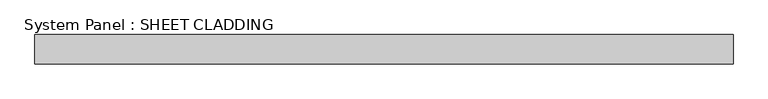
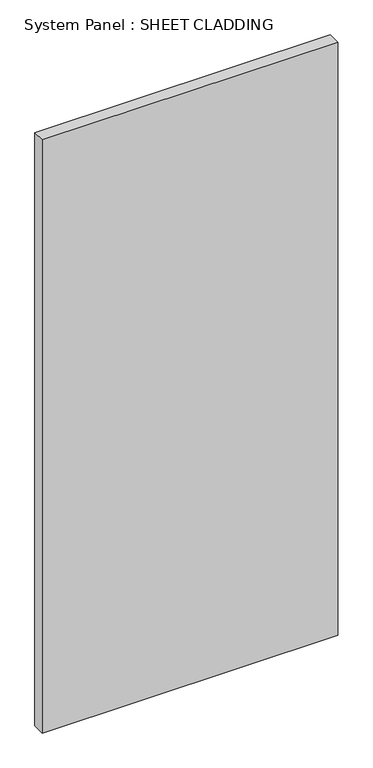
"""IFC4 building model written with IfcOpenShell, lengths in millimetres: plate geometry, System Panel : SHEET CLADDING."""

from ifc_helpers import new_model, si_unit, origin, origin_with_axes, place, context, project, spatial, polyline, outline, extrude, source, transform, mapped, element, save


def system_panel_sheet_cladding_f6e0ee69(model_context):
    return source(origin(), model_context, "Body", "SweptSolid", [
        extrude(outline(polyline([(714.2857143, -49.5), (-714.2857143, -49.5), (-714.2857143, 10.5), (714.2857143, 10.5), (714.2857143, -49.5)])), origin_with_axes(), (0.0, 0.0, 1.0), 3031.35),
    ])


if __name__ == "__main__":
    model = new_model("IFC4")
    model_context = context("Model", 3, world=origin())
    ifc_project = project(units=[si_unit("LENGTHUNIT", "METRE", prefix="MILLI")], contexts=[model_context])
    site = spatial("IfcSite", under=ifc_project)
    building = spatial("IfcBuilding", under=site)
    placement = place(None, origin())
    system_panel_sheet_cladding_shape = system_panel_sheet_cladding_f6e0ee69(model_context)
    element("IfcPlate", 1, ObjectType="System Panel : SHEET CLADDING", at=placement, inside=building, context=model_context, shape_type="MappedRepresentation", body=[
        mapped(system_panel_sheet_cladding_shape, transform((0.0, 0.0, 0.0), x_axis=(1.0, 0.0, 0.0), y_axis=(0.0, 1.0, 0.0), z_axis=(0.0, 0.0, 1.0))),
    ])
    save(model, "model.ifc")
